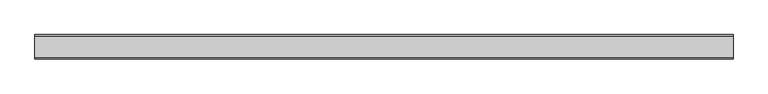
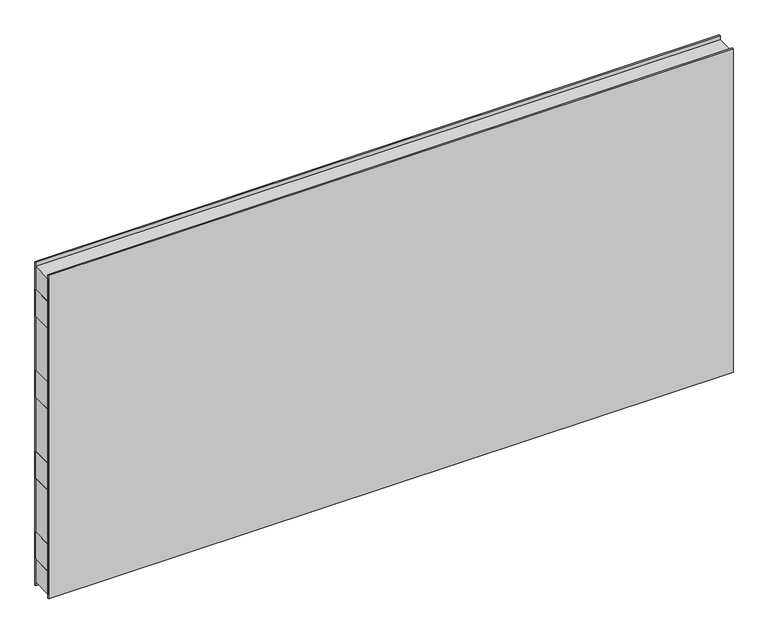
"""IFC4 building model written with IfcOpenShell, lengths in millimetres: plate geometry."""

from ifc_helpers import new_model, si_unit, frame, origin, origin_with_axes, place, context, project, spatial, polyline, outline, extrude, source, transform, mapped, element, save


def plate_19acd17f(model_context):
    return source(origin(), model_context, "Body", "SweptSolid", [
        extrude(outline(polyline([(-1200.0, -37.5), (-1200.0, 37.5), (1200.0, 37.5), (1200.0, -37.5), (-1200.0, -37.5)])), frame((0.0, 0.0, 1000.0), z_axis=(0.0, 0.0, 1.0), x_axis=(1.0, 0.0, 0.0)), (0.0, 0.0, 1.0), 100.0),
        extrude(outline(polyline([(-1200.0, -37.5), (-1200.0, 37.5), (1200.0, 37.5), (1200.0, -37.5), (-1200.0, -37.5)])), frame((0.0, 0.0, 100.0), z_axis=(0.0, 0.0, 1.0), x_axis=(1.0, 0.0, 0.0)), (0.0, 0.0, 1.0), 100.0),
        extrude(outline(polyline([(-1200.0, -37.5), (-1200.0, 37.5), (1200.0, 37.5), (1200.0, -37.5), (-1200.0, -37.5)])), frame((0.0, 0.0, 700.0), z_axis=(0.0, 0.0, 1.0), x_axis=(1.0, 0.0, 0.0)), (0.0, 0.0, 1.0), 100.0),
        extrude(outline(polyline([(-1200.0, -37.5), (-1200.0, 37.5), (1200.0, 37.5), (1200.0, -37.5), (-1200.0, -37.5)])), frame((0.0, 0.0, 400.0), z_axis=(0.0, 0.0, 1.0), x_axis=(1.0, 0.0, 0.0)), (0.0, 0.0, 1.0), 100.0),
        extrude(outline(polyline([(-1200.0, -42.0), (-1200.0, -37.5), (1200.0, -37.5), (1200.0, -42.0), (-1200.0, -42.0)])), origin_with_axes(), (0.0, 0.0, 1.0), 1200.0),
        extrude(outline(polyline([(-1200.0, 37.5), (-1200.0, 42.0), (1200.0, 42.0), (1200.0, 37.5), (-1200.0, 37.5)])), origin_with_axes(), (0.0, 0.0, 1.0), 1200.0),
        extrude(outline(polyline([(1200.0, 37.5), (1200.0, -37.5), (-1200.0, -37.5), (-1200.0, 37.5), (1200.0, 37.5)])), frame((0.0, 0.0, 1100.0), z_axis=(0.0, 0.0, 1.0), x_axis=(1.0, 0.0, 0.0)), (0.0, 0.0, 1.0), 85.0),
        extrude(outline(polyline([(1200.0, 37.5), (1200.0, -37.5), (-1200.0, -37.5), (-1200.0, 37.5), (1200.0, 37.5)])), frame((0.0, 0.0, 15.0), z_axis=(0.0, 0.0, 1.0), x_axis=(1.0, 0.0, 0.0)), (0.0, 0.0, 1.0), 85.0),
        extrude(outline(polyline([(1200.0, 37.5), (1200.0, -37.5), (-1200.0, -37.5), (-1200.0, 37.5), (1200.0, 37.5)])), frame((0.0, 0.0, 200.0), z_axis=(0.0, 0.0, 1.0), x_axis=(1.0, 0.0, 0.0)), (0.0, 0.0, 1.0), 200.0),
        extrude(outline(polyline([(1200.0, 37.5), (1200.0, -37.5), (-1200.0, -37.5), (-1200.0, 37.5), (1200.0, 37.5)])), frame((0.0, 0.0, 800.0), z_axis=(0.0, 0.0, 1.0), x_axis=(1.0, 0.0, 0.0)), (0.0, 0.0, 1.0), 200.0),
        extrude(outline(polyline([(1200.0, 37.5), (1200.0, -37.5), (-1200.0, -37.5), (-1200.0, 37.5), (1200.0, 37.5)])), frame((0.0, 0.0, 500.0), z_axis=(0.0, 0.0, 1.0), x_axis=(1.0, 0.0, 0.0)), (0.0, 0.0, 1.0), 200.0),
    ])


if __name__ == "__main__":
    model = new_model("IFC4")
    model_context = context("Model", 3, world=origin())
    ifc_project = project(units=[si_unit("LENGTHUNIT", "METRE", prefix="MILLI")], contexts=[model_context])
    site = spatial("IfcSite", under=ifc_project)
    building = spatial("IfcBuilding", under=site)
    placement = place(None, origin())
    plate_shape = plate_19acd17f(model_context)
    element("IfcPlate", 1, at=placement, inside=building, context=model_context, shape_type="MappedRepresentation", body=[
        mapped(plate_shape, transform((0.0, 0.0, 0.0), x_axis=(1.0, 0.0, 0.0), y_axis=(0.0, 1.0, 0.0), z_axis=(0.0, 0.0, 1.0))),
    ])
    save(model, "model.ifc")
